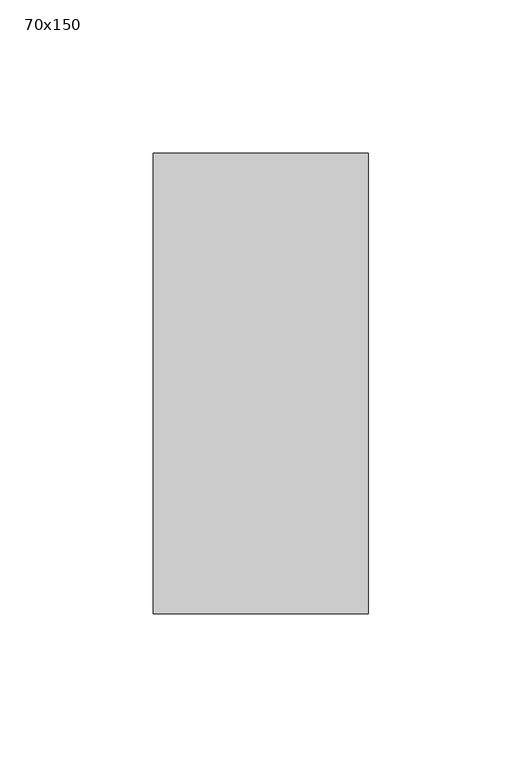
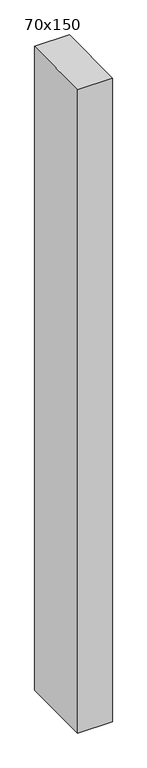
"""IFC4 building model written with IfcOpenShell, lengths in millimetres: member geometry, 70x150."""

from ifc_helpers import new_model, si_unit, frame, origin, place, context, project, spatial, polyline, outline, extrude, source, transform, mapped, element, save


def member_70x150_9dc9ba1f(model_context):
    return source(origin(), model_context, "Body", "SweptSolid", [
        extrude(outline(polyline([(-75.0, -0.9749865), (75.0, 0.9749865), (75.0, -1372.0765), (-75.0, -1371.9397118), (-75.0, -0.9749865)])), frame((-70.0, 0.0, 0.0), z_axis=(1.0, 0.0, 0.0), x_axis=(0.0, 1.0, 0.0)), (0.0, 0.0, 1.0), 70.0),
    ])


if __name__ == "__main__":
    model = new_model("IFC4")
    model_context = context("Model", 3, world=origin())
    ifc_project = project(units=[si_unit("LENGTHUNIT", "METRE", prefix="MILLI")], contexts=[model_context])
    site = spatial("IfcSite", under=ifc_project)
    building = spatial("IfcBuilding", under=site)
    placement = place(None, origin())
    member_70x150_shape = member_70x150_9dc9ba1f(model_context)
    element("IfcMember", 1, ObjectType="70x150", at=placement, inside=building, context=model_context, shape_type="MappedRepresentation", body=[
        mapped(member_70x150_shape, transform((0.0, 0.0, 0.0), x_axis=(1.0, 0.0, 0.0), y_axis=(0.0, 1.0, 0.0), z_axis=(0.0, 0.0, 1.0))),
    ])
    save(model, "model.ifc")
